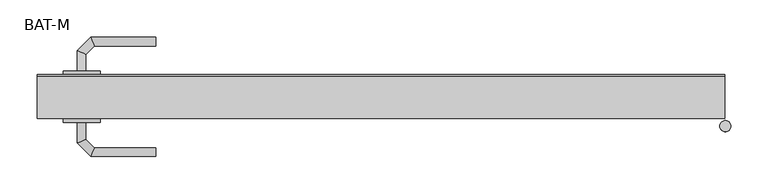
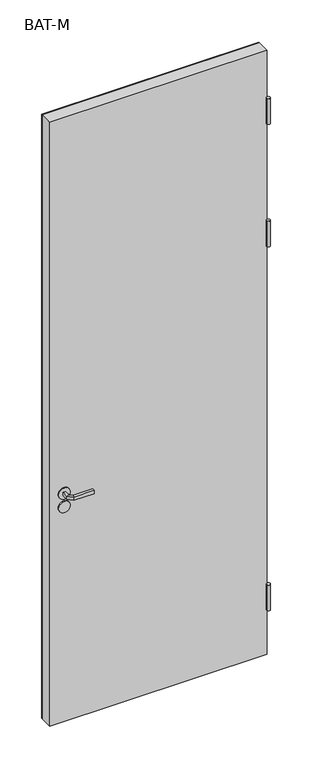
"""IFC4 building model written with IfcOpenShell, lengths in millimetres: proxy geometry, BAT-M."""

from ifc_helpers import new_model, si_unit, point, frame, frame_2d, origin, place, context, project, spatial, polyline, circle_curve, ellipse_curve, trimmed, segment, composite_curve, outline, extrude, source, transform, mapped, element, save
from ifc_brep_helpers import plane_surface, cylinder_surface, advanced_brep


def bat_m_1c31d3d6(model_context):
    return source(origin(), model_context, "Body", "SolidModel", [
        extrude(outline(composite_curve([segment(polyline([(1126.0, -853.5306002), (1126.0, -918.5306002), (916.0, -918.5306002), (916.0, -853.5306002)]), True, "CONTINUOUS"), segment(trimmed(circle_curve(frame_2d((956.0, -853.5306002)), 40.0), [point((916.0, -853.5306002))], [point((956.0, -813.5306002))], False, "CARTESIAN"), True, "CONTINUOUS"), segment(polyline([(956.0, -813.5306002), (1086.0, -813.5306002)]), True, "CONTINUOUS"), segment(trimmed(circle_curve(frame_2d((1086.0, -853.5306002)), 40.0), [point((1086.0, -813.5306002))], [point((1126.0, -853.5306002))], False, "CARTESIAN"), True, "CONTINUOUS")], self_intersect=False)), frame((0.0, 7.9132708, 0.0), z_axis=(0.0, 1.0, 0.0), x_axis=(0.0, 0.0, 1.0)), (0.0, 0.0, 1.0), 43.4267377),
        extrude(outline(composite_curve([segment(trimmed(circle_curve(frame_2d((1051.0, -868.7739009)), 25.0), [point((1051.0, -893.7739009))], [point((1051.0, -843.7739009))], False, "CARTESIAN"), True, "CONTINUOUS"), segment(trimmed(circle_curve(frame_2d((1051.0, -868.7739009)), 25.0), [point((1051.0, -843.7739009))], [point((1051.0, -893.7739009))], False, "CARTESIAN"), True, "CONTINUOUS")], self_intersect=False)), frame((0.0, 59.5, 0.0), z_axis=(0.0, 1.0, 0.0), x_axis=(0.0, 0.0, 1.0)), (0.0, 0.0, 1.0), 5.0),
        extrude(outline(composite_curve([segment(trimmed(circle_curve(frame_2d((991.25, -868.9257392)), 25.0), [point((991.25, -893.9257392))], [point((991.25, -843.9257392))], False, "CARTESIAN"), True, "CONTINUOUS"), segment(trimmed(circle_curve(frame_2d((991.25, -868.9257392)), 25.0), [point((991.25, -843.9257392))], [point((991.25, -893.9257392))], False, "CARTESIAN"), True, "CONTINUOUS")], self_intersect=False)), frame((0.0, 59.5, 0.0), z_axis=(0.0, 1.0, 0.0), x_axis=(0.0, 0.0, 1.0)), (0.0, 0.0, 1.0), 5.0),
        advanced_brep(
        [(-863.0, 64.5, 1044.0), (-863.0, 64.5, 1058.0), (-875.0, 64.5, 1058.0), (-875.0, 64.5, 1044.0), (-863.0, 86.9852045, 1044.0), (-863.0, 86.9852045, 1058.0), (-875.0, 91.9557673, 1058.0), (-875.0, 91.9557673, 1044.0), (-851.5147186, 98.4704859, 1044.0), (-851.5147186, 98.4704859, 1058.0), (-856.4852814, 110.4704859, 1058.0), (-856.4852814, 110.4704859, 1044.0), (-768.9542163, 98.4704859, 1044.0), (-768.9542163, 110.4704859, 1044.0), (-768.9542163, 110.4704859, 1058.0), (-768.9542163, 98.4704859, 1058.0)],
        [
            (0, 1),
            (1, 2, circle_curve(frame((-869.0, 64.5, 1037.9542278), z_axis=(0.0, -1.0, 0.0), x_axis=(-1.0, 0.0, 0.0)), 20.9244589)),
            (2, 3),
            (3, 0, circle_curve(frame((-869.0, 64.5, 1064.0457722), z_axis=(0.0, -1.0, 0.0), x_axis=(-1.0, 0.0, 0.0)), 20.9244589)),
            (0, 4),
            (4, 5),
            (5, 1),
            (5, 6, ellipse_curve(frame((-869.0, 89.4704859, 1037.9542278), z_axis=(-0.3826834323651092, -0.9238795325112789, 0.0), x_axis=(0.9238795325112791, -0.3826834323651085, 0.0)), 22.6484711, 20.9244589)),
            (6, 2),
            (6, 7),
            (7, 3),
            (7, 4, ellipse_curve(frame((-869.0, 89.4704859, 1064.0457722), z_axis=(-0.3826834323651092, -0.9238795325112789, 0.0), x_axis=(0.9238795325112791, -0.3826834323651085, 0.0)), 22.6484711, 20.9244589)),
            (4, 8),
            (8, 9),
            (9, 5),
            (9, 10, ellipse_curve(frame((-854.0, 104.4704859, 1037.9542278), z_axis=(-0.923879532511295, -0.38268343236507024, 0.0), x_axis=(0.3826834323650705, -0.9238795325112947, 0.0)), 22.6484711, 20.9244589)),
            (10, 6),
            (10, 11),
            (11, 7),
            (11, 8, ellipse_curve(frame((-854.0, 104.4704859, 1064.0457722), z_axis=(-0.923879532511295, -0.38268343236507024, 0.0), x_axis=(0.3826834323650705, -0.9238795325112947, 0.0)), 22.6484711, 20.9244589)),
            (12, 13, circle_curve(frame((-768.9542163, 104.4704859, 1064.0457722), z_axis=(1.0, 0.0, 0.0), x_axis=(0.0, 1.0, 0.0)), 20.9244589)),
            (13, 14),
            (14, 15, circle_curve(frame((-768.9542163, 104.4704859, 1037.9542278), z_axis=(1.0, 0.0, 0.0), x_axis=(0.0, 1.0, 0.0)), 20.9244589)),
            (15, 12),
            (8, 12),
            (15, 9),
            (14, 10),
            (13, 11),
        ],
        [
            plane_surface(frame((-878.2195445, 64.5, 1051.0), z_axis=(0.0, -1.0, 0.0), x_axis=(0.0, 0.0, 1.0))),
            plane_surface(frame((-863.0, 64.5, 1044.0), z_axis=(1.0, 0.0, 0.0), x_axis=(0.0, 1.0, 0.0))),
            cylinder_surface(frame((-869.0, 64.5, 1037.9542278), z_axis=(0.0, -1.0, 0.0), x_axis=(-1.0, 0.0, 0.0)), 20.9244589),
            plane_surface(frame((-875.0, 64.5, 1058.0), z_axis=(-1.0, 0.0, 0.0), x_axis=(0.0, 1.0, 0.0))),
            cylinder_surface(frame((-869.0, 64.5, 1064.0457722), z_axis=(0.0, -1.0, 0.0), x_axis=(-1.0, 0.0, 0.0)), 20.9244589),
            plane_surface(frame((-863.0, 86.9852045, 1044.0), z_axis=(0.7071067811865176, -0.7071067811865774, 0.0), x_axis=(0.7071067811865774, 0.7071067811865176, 0.0))),
            cylinder_surface(frame((-869.0, 89.4704859, 1037.9542278), z_axis=(-0.7071067811865772, -0.7071067811865178, 0.0), x_axis=(-0.7071067811865178, 0.7071067811865772, 0.0)), 20.9244589),
            plane_surface(frame((-875.0, 91.9557673, 1058.0), z_axis=(-0.7071067811865177, 0.7071067811865773, 0.0), x_axis=(0.7071067811865773, 0.7071067811865177, 0.0))),
            cylinder_surface(frame((-869.0, 89.4704859, 1064.0457722), z_axis=(-0.7071067811865772, -0.7071067811865178, 0.0), x_axis=(-0.7071067811865178, 0.7071067811865772, 0.0)), 20.9244589),
            plane_surface(frame((-768.9542163, 104.4704859, 1041.7804555), z_axis=(1.0, 0.0, 0.0), x_axis=(0.0, 1.0, 0.0))),
            plane_surface(frame((-851.5147186, 98.4704859, 1044.0), z_axis=(0.0, -1.0, 0.0), x_axis=(1.0, 0.0, 0.0))),
            cylinder_surface(frame((-854.0, 104.4704859, 1037.9542278), z_axis=(-1.0, 0.0, 0.0), x_axis=(0.0, 1.0, 0.0)), 20.9244589),
            plane_surface(frame((-856.4852814, 110.4704859, 1058.0), z_axis=(0.0, 1.0, 0.0), x_axis=(1.0, 0.0, 0.0))),
            cylinder_surface(frame((-854.0, 104.4704859, 1064.0457722), z_axis=(-1.0, 0.0, 0.0), x_axis=(0.0, 1.0, 0.0)), 20.9244589),
        ],
        [
            (0, [[1, 2, 3, 4]]),
            (1, [[-1, 5, 6, 7]]),
            (2, [[-2, -7, 8, 9]]),
            (3, [[-3, -9, 10, 11]]),
            (4, [[-4, -11, 12, -5]]),
            (5, [[-6, 13, 14, 15]]),
            (6, [[-8, -15, 16, 17]]),
            (7, [[-10, -17, 18, 19]]),
            (8, [[-12, -19, 20, -13]]),
            (9, [[21, 22, 23, 24]]),
            (10, [[-14, 25, -24, 26]]),
            (11, [[-16, -26, -23, 27]]),
            (12, [[-18, -27, -22, 28]]),
            (13, [[-20, -28, -21, -25]]),
        ],
    ),
        advanced_brep(
        [(-875.0, -5.0, 1058.0), (-863.0, -5.0, 1058.0), (-863.0, -5.0, 1044.0), (-875.0, -5.0, 1044.0), (-875.0, -32.6509507, 1058.0), (-863.0, -27.680388, 1058.0), (-863.0, -27.680388, 1044.0), (-875.0, -32.6509507, 1044.0), (-856.62279, -51.0281607, 1058.0), (-851.6522273, -39.0281607, 1058.0), (-851.6522273, -39.0281607, 1044.0), (-856.62279, -51.0281607, 1044.0), (-768.9813594, -51.0281607, 1058.0), (-768.9813594, -51.0281607, 1044.0), (-768.9813594, -39.0281607, 1044.0), (-768.9813594, -39.0281607, 1058.0)],
        [
            (0, 1, circle_curve(frame((-869.0, -5.0, 1037.9542278), z_axis=(0.0, 1.0, 0.0), x_axis=(1.0, 0.0, 0.0)), 20.9244589)),
            (1, 2),
            (2, 3, circle_curve(frame((-869.0, -5.0, 1064.0457722), z_axis=(0.0, 1.0, 0.0), x_axis=(1.0, 0.0, 0.0)), 20.9244589)),
            (3, 0),
            (0, 4),
            (4, 5, ellipse_curve(frame((-869.0, -30.1656693, 1037.9542278), z_axis=(-0.38268343236510954, 0.9238795325112785, 0.0), x_axis=(0.9238795325112784, 0.38268343236510977, 0.0)), 22.6484711, 20.9244589)),
            (5, 1),
            (5, 6),
            (6, 2),
            (6, 7, ellipse_curve(frame((-869.0, -30.1656693, 1064.0457722), z_axis=(-0.38268343236510954, 0.9238795325112785, 0.0), x_axis=(0.9238795325112784, 0.38268343236510977, 0.0)), 22.6484711, 20.9244589)),
            (7, 3),
            (7, 4),
            (4, 8),
            (8, 9, ellipse_curve(frame((-854.1375086, -45.0281607, 1037.9542278), z_axis=(-0.9238795325112947, 0.38268343236507, 0.0), x_axis=(0.38268343236506897, 0.9238795325112953, 0.0)), 22.6484711, 20.9244589)),
            (9, 5),
            (9, 10),
            (10, 6),
            (10, 11, ellipse_curve(frame((-854.1375086, -45.0281607, 1064.0457722), z_axis=(-0.9238795325112947, 0.38268343236507, 0.0), x_axis=(0.38268343236506897, 0.9238795325112953, 0.0)), 22.6484711, 20.9244589)),
            (11, 7),
            (11, 8),
            (12, 13),
            (13, 14, circle_curve(frame((-768.9813594, -45.0281607, 1064.0457722), z_axis=(1.0, 0.0, 0.0), x_axis=(0.0, 1.0, 0.0)), 20.9244589)),
            (14, 15),
            (15, 12, circle_curve(frame((-768.9813594, -45.0281607, 1037.9542278), z_axis=(1.0, 0.0, 0.0), x_axis=(0.0, 1.0, 0.0)), 20.9244589)),
            (8, 12),
            (15, 9),
            (14, 10),
            (13, 11),
        ],
        [
            plane_surface(frame((-878.2195445, -5.0, 1051.0), z_axis=(0.0, 1.0, 0.0), x_axis=(0.0, 0.0, -1.0))),
            cylinder_surface(frame((-869.0, -5.0, 1037.9542278), z_axis=(0.0, 1.0, 0.0), x_axis=(1.0, 0.0, 0.0)), 20.9244589),
            plane_surface(frame((-863.0, -5.0, 1058.0), z_axis=(1.0, 0.0, 0.0), x_axis=(0.0, -1.0, 0.0))),
            cylinder_surface(frame((-869.0, -5.0, 1064.0457722), z_axis=(0.0, 1.0, 0.0), x_axis=(1.0, 0.0, 0.0)), 20.9244589),
            plane_surface(frame((-875.0, -5.0, 1044.0), z_axis=(-1.0, 0.0, 0.0), x_axis=(0.0, -1.0, 0.0))),
            cylinder_surface(frame((-869.0, -30.1656693, 1037.9542278), z_axis=(-0.7071067811865778, 0.7071067811865174, 0.0), x_axis=(0.7071067811865174, 0.7071067811865778, 0.0)), 20.9244589),
            plane_surface(frame((-863.0, -27.680388, 1058.0), z_axis=(0.707106781186518, 0.7071067811865771, 0.0), x_axis=(0.7071067811865771, -0.707106781186518, 0.0))),
            cylinder_surface(frame((-869.0, -30.1656693, 1064.0457722), z_axis=(-0.7071067811865778, 0.7071067811865174, 0.0), x_axis=(0.7071067811865174, 0.7071067811865778, 0.0)), 20.9244589),
            plane_surface(frame((-875.0, -32.6509507, 1044.0), z_axis=(-0.7071067811865176, -0.7071067811865774, 0.0), x_axis=(0.7071067811865774, -0.7071067811865176, 0.0))),
            plane_surface(frame((-768.9813594, -45.0281607, 1041.7804555), z_axis=(1.0, 0.0, 0.0), x_axis=(0.0, 1.0, 0.0))),
            cylinder_surface(frame((-854.1375086, -45.0281607, 1037.9542278), z_axis=(-1.0, 0.0, 0.0), x_axis=(0.0, 1.0, 0.0)), 20.9244589),
            plane_surface(frame((-851.6522273, -39.0281607, 1058.0), z_axis=(0.0, 1.0, 0.0), x_axis=(1.0, 0.0, 0.0))),
            cylinder_surface(frame((-854.1375086, -45.0281607, 1064.0457722), z_axis=(-1.0, 0.0, 0.0), x_axis=(0.0, 1.0, 0.0)), 20.9244589),
            plane_surface(frame((-856.62279, -51.0281607, 1044.0), z_axis=(0.0, -1.0, 0.0), x_axis=(1.0, 0.0, 0.0))),
        ],
        [
            (0, [[1, 2, 3, 4]]),
            (1, [[-1, 5, 6, 7]]),
            (2, [[-2, -7, 8, 9]]),
            (3, [[-3, -9, 10, 11]]),
            (4, [[-4, -11, 12, -5]]),
            (5, [[-6, 13, 14, 15]]),
            (6, [[-8, -15, 16, 17]]),
            (7, [[-10, -17, 18, 19]]),
            (8, [[-12, -19, 20, -13]]),
            (9, [[21, 22, 23, 24]]),
            (10, [[-14, 25, -24, 26]]),
            (11, [[-16, -26, -23, 27]]),
            (12, [[-18, -27, -22, 28]]),
            (13, [[-20, -28, -21, -25]]),
        ],
    ),
        extrude(outline(composite_curve([segment(trimmed(circle_curve(frame_2d((1051.0, -868.7739009)), 25.0), [point((1051.0, -893.7739009))], [point((1051.0, -843.7739009))], False, "CARTESIAN"), True, "CONTINUOUS"), segment(trimmed(circle_curve(frame_2d((1051.0, -868.7739009)), 25.0), [point((1051.0, -843.7739009))], [point((1051.0, -893.7739009))], False, "CARTESIAN"), True, "CONTINUOUS")], self_intersect=False)), frame((0.0, -5.0, 0.0), z_axis=(0.0, 1.0, 0.0), x_axis=(0.0, 0.0, 1.0)), (0.0, 0.0, 1.0), 5.0),
        extrude(outline(composite_curve([segment(trimmed(circle_curve(frame_2d((991.0, -868.9257392)), 25.0), [point((991.0, -893.9257392))], [point((991.0, -843.9257392))], False, "CARTESIAN"), True, "CONTINUOUS"), segment(trimmed(circle_curve(frame_2d((991.0, -868.9257392)), 25.0), [point((991.0, -843.9257392))], [point((991.0, -893.9257392))], False, "CARTESIAN"), True, "CONTINUOUS")], self_intersect=False)), frame((0.0, -5.0, 0.0), z_axis=(0.0, 1.0, 0.0), x_axis=(0.0, 0.0, 1.0)), (0.0, 0.0, 1.0), 5.0),
        extrude(outline(polyline([(-1.0, 57.5), (-929.0, 57.5), (-929.0, 59.5), (-1.0, 59.5), (-1.0, 57.5)])), frame((0.0, 0.0, 19.0), z_axis=(0.0, 0.0, 1.0), x_axis=(1.0, 0.0, 0.0)), (0.0, 0.0, 1.0), 2725.0),
        extrude(outline(polyline([(-929.0, 57.5), (-929.0, 59.5), (-1.0, 59.5), (-1.0, 57.5), (-929.0, 57.5)])), frame((0.0, 0.0, 19.0), z_axis=(0.0, 0.0, 1.0), x_axis=(1.0, 0.0, 0.0)), (0.0, 0.0, 1.0), 2725.0),
        extrude(outline(polyline([(-929.0, 59.5), (-1.0, 59.5), (-1.0, 0.0), (-929.0, 0.0), (-929.0, 59.5)])), frame((0.0, 0.0, 19.0), z_axis=(0.0, 0.0, 1.0), x_axis=(1.0, 0.0, 0.0)), (0.0, 0.0, 1.0), 2725.0),
        extrude(outline(composite_curve([segment(trimmed(circle_curve(frame_2d((0.0, -10.0)), 7.5), [point((7.5, -10.0))], [point((-7.5, -10.0))], False, "CARTESIAN"), True, "CONTINUOUS"), segment(trimmed(circle_curve(frame_2d((0.0, -10.0)), 7.5), [point((-7.5, -10.0))], [point((7.5, -10.0))], False, "CARTESIAN"), True, "CONTINUOUS")], self_intersect=False)), frame((0.0, 0.0, 2421.5), z_axis=(0.0, 0.0, 1.0), x_axis=(1.0, 0.0, 0.0)), (0.0, 0.0, 1.0), 115.0),
        extrude(outline(composite_curve([segment(trimmed(circle_curve(frame_2d((0.0, -10.0)), 7.5), [point((7.5, -10.0))], [point((-7.5, -10.0))], False, "CARTESIAN"), True, "CONTINUOUS"), segment(trimmed(circle_curve(frame_2d((0.0, -10.0)), 7.5), [point((-7.5, -10.0))], [point((7.5, -10.0))], False, "CARTESIAN"), True, "CONTINUOUS")], self_intersect=False)), frame((0.0, 0.0, 1868.5), z_axis=(0.0, 0.0, 1.0), x_axis=(1.0, 0.0, 0.0)), (0.0, 0.0, 1.0), 115.0),
        extrude(outline(composite_curve([segment(trimmed(circle_curve(frame_2d((0.0, -10.0)), 7.5), [point((7.5, -10.0))], [point((-7.5, -10.0))], False, "CARTESIAN"), True, "CONTINUOUS"), segment(trimmed(circle_curve(frame_2d((0.0, -10.0)), 7.5), [point((-7.5, -10.0))], [point((7.5, -10.0))], False, "CARTESIAN"), True, "CONTINUOUS")], self_intersect=False)), frame((0.0, 0.0, 226.5), z_axis=(0.0, 0.0, 1.0), x_axis=(1.0, 0.0, 0.0)), (0.0, 0.0, 1.0), 115.0),
    ])


if __name__ == "__main__":
    model = new_model("IFC4")
    model_context = context("Model", 3, world=origin())
    ifc_project = project(units=[si_unit("LENGTHUNIT", "METRE", prefix="MILLI")], contexts=[model_context])
    site = spatial("IfcSite", under=ifc_project)
    building = spatial("IfcBuilding", under=site)
    placement = place(None, origin())
    bat_m_shape = bat_m_1c31d3d6(model_context)
    element("IfcBuildingElementProxy", 1, Name="BAT-M", ObjectType="BAT-M", at=placement, inside=building, context=model_context, shape_type="MappedRepresentation", body=[
        mapped(bat_m_shape, transform((0.0, 0.0, 0.0), x_axis=(1.0, 0.0, 0.0), y_axis=(0.0, 1.0, 0.0), z_axis=(0.0, 0.0, 1.0))),
    ])
    save(model, "model.ifc")
